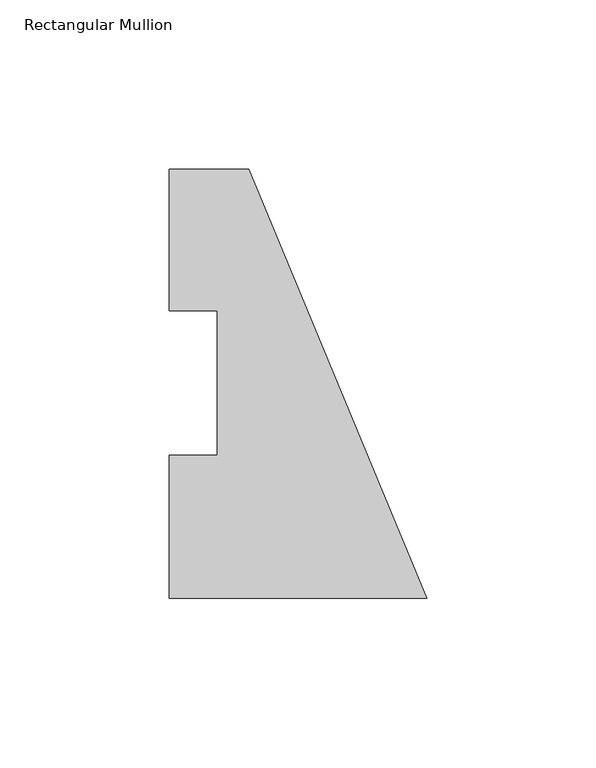
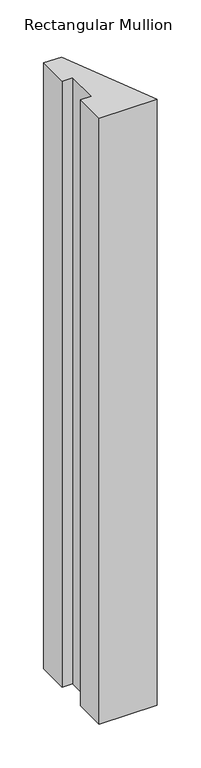
"""IFC4 building model written with IfcOpenShell, lengths in millimetres: member geometry, Rectangular Mullion."""

import ifcopenshell
import ifcopenshell.guid

model = None  # the IFC model being written
_history = None  # IfcOwnerHistory: only IFC2X3 demands one
_inside = {}  # id of a spatial element -> (the spatial element, [elements in it])
_under = {}  # id of a project, library or spatial element -> (it, [spatial elements below it])
_declared = {}  # id of a project -> (the project, [libraries it declares])
_typed = {}  # id of a type object -> (the type object, [elements of that type])
_made_of = {}  # id of a material, layer set ... -> (it, [elements and type objects made of it])


def new_model(schema):
    """Start an empty IFC model of exactly this schema.

    Asked for "IFC4X3", IfcOpenShell would pick the latest addendum, in which some entities
    have other attributes; the version numbers below select the first issue.
    IFC2X3 requires an IfcOwnerHistory on every rooted entity: one is made here for all.
    """
    global model, _history
    if schema == "IFC4X3":
        model = ifcopenshell.file(schema_version=(4, 3, 0, 0))
    else:
        model = ifcopenshell.file(schema=schema)
    _inside.clear()
    _under.clear()
    _declared.clear()
    _typed.clear()
    _made_of.clear()
    _history = None
    if model.schema == "IFC2X3":
        org = make("IfcOrganization", Name="unknown")
        user = make(
            "IfcPersonAndOrganization",
            ThePerson=make("IfcPerson", FamilyName="unknown"),
            TheOrganization=org,
        )
        app = make(
            "IfcApplication",
            ApplicationDeveloper=org,
            Version="unknown",
            ApplicationFullName="unknown",
            ApplicationIdentifier="unknown",
        )
        _history = make(
            "IfcOwnerHistory",
            OwningUser=user,
            OwningApplication=app,
            ChangeAction="ADDED",
            CreationDate=0,
        )
    return model


def make(cls, **values):
    """One entity of the class cls with the attributes given. An attribute that is None is left unset."""
    return model.create_entity(
        cls, **{name: value for name, value in values.items() if value is not None}
    )


def rooted(cls, **values):
    """An entity with a GlobalId (a new one), such as an element, a storey or a relation."""
    return make(cls, GlobalId=ifcopenshell.guid.new(), OwnerHistory=_history, **values)


def si_unit(unit_type, name, prefix=None):
    """IfcSIUnit, for example si_unit("LENGTHUNIT", "METRE", prefix="MILLI")."""
    return make("IfcSIUnit", UnitType=unit_type, Prefix=prefix, Name=name)


def assignment(units):
    """IfcUnitAssignment: the units of a project."""
    return None if units is None else make("IfcUnitAssignment", Units=units)


def point(xyz):
    """IfcCartesianPoint."""
    return None if xyz is None else make("IfcCartesianPoint", Coordinates=xyz)


def direction(xyz):
    """IfcDirection."""
    return None if xyz is None else make("IfcDirection", DirectionRatios=xyz)


def frame(location, z_axis=None, x_axis=None):
    """IfcAxis2Placement3D, a coordinate frame: its origin and axes. An axis left out is left unset."""
    return make(
        "IfcAxis2Placement3D",
        Location=point(location),
        Axis=direction(z_axis),
        RefDirection=direction(x_axis),
    )


def origin():
    """The frame at (0, 0, 0) with its axes left unset."""
    return frame((0.0, 0.0, 0.0))


def place(relative_to, where):
    """IfcLocalPlacement: puts the frame where relative to a parent placement (None: the world)."""
    return make(
        "IfcLocalPlacement", PlacementRelTo=relative_to, RelativePlacement=where
    )


def context(
    kind, dimensions, precision=None, world=None, true_north=None, identifier=None
):
    """IfcGeometricRepresentationContext, for example the 3D "Model" context."""
    return make(
        "IfcGeometricRepresentationContext",
        ContextIdentifier=identifier,
        ContextType=kind,
        CoordinateSpaceDimension=dimensions,
        Precision=precision,
        WorldCoordinateSystem=world,
        TrueNorth=true_north,
    )


def project(units=None, contexts=None):
    """IfcProject with its units and contexts."""
    return rooted(
        "IfcProject",
        Name="project",
        RepresentationContexts=contexts,
        UnitsInContext=assignment(units),
    )


def spatial(cls, under=None, at=None, **own):
    """A site, building, storey or space (cls), placed at a placement, below another one or the project."""
    s = rooted(cls, ObjectPlacement=at, **own)
    if under is not None:
        _under.setdefault(under.id(), (under, []))[1].append(s)
    return s


def polyline(points):
    """IfcPolyline through the points."""
    return make("IfcPolyline", Points=[point(p) for p in points])


def outline(outer, holes=None, kind="AREA"):
    """IfcArbitraryClosedProfileDef: a profile drawn as a closed curve; with holes, ...WithVoids."""
    if holes is None:
        return make("IfcArbitraryClosedProfileDef", ProfileType=kind, OuterCurve=outer)
    return make(
        "IfcArbitraryProfileDefWithVoids",
        ProfileType=kind,
        OuterCurve=outer,
        InnerCurves=holes,
    )


def extrude(swept, where, along, depth):
    """IfcExtrudedAreaSolid: the profile swept, set in the frame where, extruded along a direction by depth."""
    return make(
        "IfcExtrudedAreaSolid",
        SweptArea=swept,
        Position=where,
        ExtrudedDirection=direction(along),
        Depth=depth,
    )


def shape(context_of_items, identifier, shape_type, items):
    """IfcShapeRepresentation: the items that make up one representation, for example the "Body"."""
    return make(
        "IfcShapeRepresentation",
        ContextOfItems=context_of_items,
        RepresentationIdentifier=identifier,
        RepresentationType=shape_type,
        Items=items,
    )


def source(mapping_origin, context_of_items, identifier, shape_type, items):
    """IfcRepresentationMap: a shape defined once, which mapped items show again and again."""
    return make(
        "IfcRepresentationMap",
        MappingOrigin=mapping_origin,
        MappedRepresentation=shape(context_of_items, identifier, shape_type, items),
    )


def transform(
    local_origin,
    x_axis=None,
    y_axis=None,
    z_axis=None,
    scale=None,
    scale2=None,
    scale3=None,
    uniform=True,
):
    """IfcCartesianTransformationOperator3D, or its non-uniform kind. x_axis, y_axis, z_axis: its Axis1, 2, 3."""
    if uniform:
        return make(
            "IfcCartesianTransformationOperator3D",
            Axis1=direction(x_axis),
            Axis2=direction(y_axis),
            LocalOrigin=point(local_origin),
            Scale=scale,
            Axis3=direction(z_axis),
        )
    return make(
        "IfcCartesianTransformationOperator3DnonUniform",
        Axis1=direction(x_axis),
        Axis2=direction(y_axis),
        LocalOrigin=point(local_origin),
        Scale=scale,
        Axis3=direction(z_axis),
        Scale2=scale2,
        Scale3=scale3,
    )


def mapped(mapping_source, mapping_target):
    """IfcMappedItem: shows the shape of a source again, moved by a transform."""
    return make(
        "IfcMappedItem", MappingSource=mapping_source, MappingTarget=mapping_target
    )


def made_of(thing, what):
    """Note that an element or type object is made of a material, layer set ...; save() writes the relation."""
    if what is not None:
        _made_of.setdefault(what.id(), (what, []))[1].append(thing)
    return thing


def element(
    cls,
    number,
    at=None,
    inside=None,
    cuts=None,
    type_object=None,
    material=None,
    context=None,
    identifier="Body",
    shape_type=None,
    held_by="IfcProductDefinitionShape",
    body=None,
    shapes=None,
    **own,
):
    """One element of the class cls, such as IfcWall. Its Tag is "e" and its number.

    at: its placement. inside: the storey or other place that contains it. cuts: it is an
    opening in that element (IfcRelVoidsElement). A single representation is given by context,
    identifier, shape_type and body (its items); several are given by shapes. held_by: the class
    of the entity that holds the representations. save() writes the other relations.
    """
    e = rooted(cls, Tag="e%d" % number, ObjectPlacement=at, **own)
    if body is not None:
        shapes = [shape(context, identifier, shape_type, body)]
    if shapes is not None:
        e.Representation = make(held_by, Representations=shapes)
    if inside is not None:
        _inside.setdefault(inside.id(), (inside, []))[1].append(e)
    if cuts is not None:
        rooted(
            "IfcRelVoidsElement", RelatingBuildingElement=cuts, RelatedOpeningElement=e
        )
    if type_object is not None:
        _typed.setdefault(type_object.id(), (type_object, []))[1].append(e)
    return made_of(e, material)


def aggregate(whole, parts):
    """IfcRelAggregates: a whole, such as a stair, and the parts it consists of."""
    return rooted("IfcRelAggregates", RelatingObject=whole, RelatedObjects=parts)


def save(model, path):
    """Write the relations noted so far, then the file.

    IfcRelAggregates (storeys below a building ...), IfcRelContainedInSpatialStructure (elements
    in a storey), IfcRelDefinesByType, IfcRelAssociatesMaterial and IfcRelDeclares: one each for
    every whole, place, type object, material and project.
    """
    for whole, parts in _under.values():
        aggregate(whole, parts)
    for where, things in _inside.values():
        rooted(
            "IfcRelContainedInSpatialStructure",
            RelatedElements=things,
            RelatingStructure=where,
        )
    for kind, things in _typed.values():
        rooted("IfcRelDefinesByType", RelatedObjects=things, RelatingType=kind)
    for what, things in _made_of.values():
        rooted("IfcRelAssociatesMaterial", RelatedObjects=things, RelatingMaterial=what)
    for by, libraries in _declared.values():
        rooted("IfcRelDeclares", RelatingContext=by, RelatedDefinitions=libraries)
    model.write(path)


def rectangular_mullion_8ba4f70c(model_context):
    return source(origin(), model_context, "Body", "SweptSolid", [
        extrude(outline(polyline([(-76.2, 126.9705908), (-52.6051224, 126.9705908), (0.0, -0.0294092), (-76.2, -0.0294092), (-76.2, 42.2798875), (-61.91504, 42.2798875), (-61.91504, 85.1296875), (-76.2, 85.1296875), (-76.2, 126.9705908)])), frame((0.0, 0.0, -844.3102709), z_axis=(0.0, 0.0, 1.0), x_axis=(1.0, 0.0, 0.0)), (0.0, 0.0, 1.0), 844.3102709),
    ])


if __name__ == "__main__":
    model = new_model("IFC4")
    model_context = context("Model", 3, world=origin())
    ifc_project = project(units=[si_unit("LENGTHUNIT", "METRE", prefix="MILLI")], contexts=[model_context])
    site = spatial("IfcSite", under=ifc_project)
    building = spatial("IfcBuilding", under=site)
    placement = place(None, origin())
    rectangular_mullion_shape = rectangular_mullion_8ba4f70c(model_context)
    element("IfcMember", 1, ObjectType="Rectangular Mullion", at=placement, inside=building, context=model_context, shape_type="MappedRepresentation", body=[
        mapped(rectangular_mullion_shape, transform((0.0, 0.0, 0.0), x_axis=(1.0, 0.0, 0.0), y_axis=(0.0, 1.0, 0.0), z_axis=(0.0, 0.0, 1.0))),
    ])
    save(model, "model.ifc")
